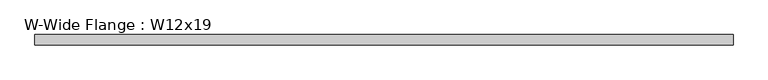
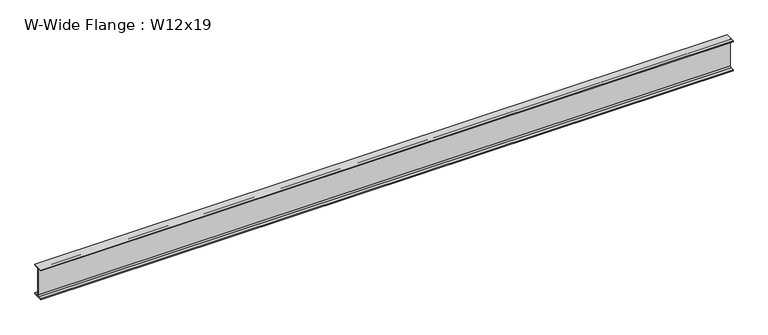
"""IFC4 building model written with IfcOpenShell, lengths in millimetres: beam geometry, W-Wide Flange : W12x19."""

import ifcopenshell
import ifcopenshell.guid

model = None  # the IFC model being written
_history = None  # IfcOwnerHistory: only IFC2X3 demands one
_inside = {}  # id of a spatial element -> (the spatial element, [elements in it])
_under = {}  # id of a project, library or spatial element -> (it, [spatial elements below it])
_declared = {}  # id of a project -> (the project, [libraries it declares])
_typed = {}  # id of a type object -> (the type object, [elements of that type])
_made_of = {}  # id of a material, layer set ... -> (it, [elements and type objects made of it])


def new_model(schema):
    """Start an empty IFC model of exactly this schema.

    Asked for "IFC4X3", IfcOpenShell would pick the latest addendum, in which some entities
    have other attributes; the version numbers below select the first issue.
    IFC2X3 requires an IfcOwnerHistory on every rooted entity: one is made here for all.
    """
    global model, _history
    if schema == "IFC4X3":
        model = ifcopenshell.file(schema_version=(4, 3, 0, 0))
    else:
        model = ifcopenshell.file(schema=schema)
    _inside.clear()
    _under.clear()
    _declared.clear()
    _typed.clear()
    _made_of.clear()
    _history = None
    if model.schema == "IFC2X3":
        org = make("IfcOrganization", Name="unknown")
        user = make(
            "IfcPersonAndOrganization",
            ThePerson=make("IfcPerson", FamilyName="unknown"),
            TheOrganization=org,
        )
        app = make(
            "IfcApplication",
            ApplicationDeveloper=org,
            Version="unknown",
            ApplicationFullName="unknown",
            ApplicationIdentifier="unknown",
        )
        _history = make(
            "IfcOwnerHistory",
            OwningUser=user,
            OwningApplication=app,
            ChangeAction="ADDED",
            CreationDate=0,
        )
    return model


def make(cls, **values):
    """One entity of the class cls with the attributes given. An attribute that is None is left unset."""
    return model.create_entity(
        cls, **{name: value for name, value in values.items() if value is not None}
    )


def rooted(cls, **values):
    """An entity with a GlobalId (a new one), such as an element, a storey or a relation."""
    return make(cls, GlobalId=ifcopenshell.guid.new(), OwnerHistory=_history, **values)


def si_unit(unit_type, name, prefix=None):
    """IfcSIUnit, for example si_unit("LENGTHUNIT", "METRE", prefix="MILLI")."""
    return make("IfcSIUnit", UnitType=unit_type, Prefix=prefix, Name=name)


def assignment(units):
    """IfcUnitAssignment: the units of a project."""
    return None if units is None else make("IfcUnitAssignment", Units=units)


def point(xyz):
    """IfcCartesianPoint."""
    return None if xyz is None else make("IfcCartesianPoint", Coordinates=xyz)


def direction(xyz):
    """IfcDirection."""
    return None if xyz is None else make("IfcDirection", DirectionRatios=xyz)


def frame(location, z_axis=None, x_axis=None):
    """IfcAxis2Placement3D, a coordinate frame: its origin and axes. An axis left out is left unset."""
    return make(
        "IfcAxis2Placement3D",
        Location=point(location),
        Axis=direction(z_axis),
        RefDirection=direction(x_axis),
    )


def frame_2d(location, x_axis=None):
    """IfcAxis2Placement2D, a coordinate frame in the plane: its origin and x axis."""
    return make(
        "IfcAxis2Placement2D", Location=point(location), RefDirection=direction(x_axis)
    )


def origin():
    """The frame at (0, 0, 0) with its axes left unset."""
    return frame((0.0, 0.0, 0.0))


def place(relative_to, where):
    """IfcLocalPlacement: puts the frame where relative to a parent placement (None: the world)."""
    return make(
        "IfcLocalPlacement", PlacementRelTo=relative_to, RelativePlacement=where
    )


def context(
    kind, dimensions, precision=None, world=None, true_north=None, identifier=None
):
    """IfcGeometricRepresentationContext, for example the 3D "Model" context."""
    return make(
        "IfcGeometricRepresentationContext",
        ContextIdentifier=identifier,
        ContextType=kind,
        CoordinateSpaceDimension=dimensions,
        Precision=precision,
        WorldCoordinateSystem=world,
        TrueNorth=true_north,
    )


def project(units=None, contexts=None):
    """IfcProject with its units and contexts."""
    return rooted(
        "IfcProject",
        Name="project",
        RepresentationContexts=contexts,
        UnitsInContext=assignment(units),
    )


def spatial(cls, under=None, at=None, **own):
    """A site, building, storey or space (cls), placed at a placement, below another one or the project."""
    s = rooted(cls, ObjectPlacement=at, **own)
    if under is not None:
        _under.setdefault(under.id(), (under, []))[1].append(s)
    return s


def polyline(points):
    """IfcPolyline through the points."""
    return make("IfcPolyline", Points=[point(p) for p in points])


def circle_curve(where, radius):
    """IfcCircle in the frame where."""
    return make("IfcCircle", Position=where, Radius=radius)


def trimmed(basis, trim1, trim2, sense, master):
    """IfcTrimmedCurve: the piece of a basis curve between two trims."""
    return make(
        "IfcTrimmedCurve",
        BasisCurve=basis,
        Trim1=trim1,
        Trim2=trim2,
        SenseAgreement=sense,
        MasterRepresentation=master,
    )


def segment(curve, same_sense, transition):
    """IfcCompositeCurveSegment."""
    return make(
        "IfcCompositeCurveSegment",
        Transition=transition,
        SameSense=same_sense,
        ParentCurve=curve,
    )


def composite_curve(segments, self_intersect=None):
    """IfcCompositeCurve: segments joined end to end."""
    return make("IfcCompositeCurve", Segments=segments, SelfIntersect=self_intersect)


def outline(outer, holes=None, kind="AREA"):
    """IfcArbitraryClosedProfileDef: a profile drawn as a closed curve; with holes, ...WithVoids."""
    if holes is None:
        return make("IfcArbitraryClosedProfileDef", ProfileType=kind, OuterCurve=outer)
    return make(
        "IfcArbitraryProfileDefWithVoids",
        ProfileType=kind,
        OuterCurve=outer,
        InnerCurves=holes,
    )


def extrude(swept, where, along, depth):
    """IfcExtrudedAreaSolid: the profile swept, set in the frame where, extruded along a direction by depth."""
    return make(
        "IfcExtrudedAreaSolid",
        SweptArea=swept,
        Position=where,
        ExtrudedDirection=direction(along),
        Depth=depth,
    )


def shape(context_of_items, identifier, shape_type, items):
    """IfcShapeRepresentation: the items that make up one representation, for example the "Body"."""
    return make(
        "IfcShapeRepresentation",
        ContextOfItems=context_of_items,
        RepresentationIdentifier=identifier,
        RepresentationType=shape_type,
        Items=items,
    )


def source(mapping_origin, context_of_items, identifier, shape_type, items):
    """IfcRepresentationMap: a shape defined once, which mapped items show again and again."""
    return make(
        "IfcRepresentationMap",
        MappingOrigin=mapping_origin,
        MappedRepresentation=shape(context_of_items, identifier, shape_type, items),
    )


def transform(
    local_origin,
    x_axis=None,
    y_axis=None,
    z_axis=None,
    scale=None,
    scale2=None,
    scale3=None,
    uniform=True,
):
    """IfcCartesianTransformationOperator3D, or its non-uniform kind. x_axis, y_axis, z_axis: its Axis1, 2, 3."""
    if uniform:
        return make(
            "IfcCartesianTransformationOperator3D",
            Axis1=direction(x_axis),
            Axis2=direction(y_axis),
            LocalOrigin=point(local_origin),
            Scale=scale,
            Axis3=direction(z_axis),
        )
    return make(
        "IfcCartesianTransformationOperator3DnonUniform",
        Axis1=direction(x_axis),
        Axis2=direction(y_axis),
        LocalOrigin=point(local_origin),
        Scale=scale,
        Axis3=direction(z_axis),
        Scale2=scale2,
        Scale3=scale3,
    )


def mapped(mapping_source, mapping_target):
    """IfcMappedItem: shows the shape of a source again, moved by a transform."""
    return make(
        "IfcMappedItem", MappingSource=mapping_source, MappingTarget=mapping_target
    )


def made_of(thing, what):
    """Note that an element or type object is made of a material, layer set ...; save() writes the relation."""
    if what is not None:
        _made_of.setdefault(what.id(), (what, []))[1].append(thing)
    return thing


def element(
    cls,
    number,
    at=None,
    inside=None,
    cuts=None,
    type_object=None,
    material=None,
    context=None,
    identifier="Body",
    shape_type=None,
    held_by="IfcProductDefinitionShape",
    body=None,
    shapes=None,
    **own,
):
    """One element of the class cls, such as IfcWall. Its Tag is "e" and its number.

    at: its placement. inside: the storey or other place that contains it. cuts: it is an
    opening in that element (IfcRelVoidsElement). A single representation is given by context,
    identifier, shape_type and body (its items); several are given by shapes. held_by: the class
    of the entity that holds the representations. save() writes the other relations.
    """
    e = rooted(cls, Tag="e%d" % number, ObjectPlacement=at, **own)
    if body is not None:
        shapes = [shape(context, identifier, shape_type, body)]
    if shapes is not None:
        e.Representation = make(held_by, Representations=shapes)
    if inside is not None:
        _inside.setdefault(inside.id(), (inside, []))[1].append(e)
    if cuts is not None:
        rooted(
            "IfcRelVoidsElement", RelatingBuildingElement=cuts, RelatedOpeningElement=e
        )
    if type_object is not None:
        _typed.setdefault(type_object.id(), (type_object, []))[1].append(e)
    return made_of(e, material)


def aggregate(whole, parts):
    """IfcRelAggregates: a whole, such as a stair, and the parts it consists of."""
    return rooted("IfcRelAggregates", RelatingObject=whole, RelatedObjects=parts)


def save(model, path):
    """Write the relations noted so far, then the file.

    IfcRelAggregates (storeys below a building ...), IfcRelContainedInSpatialStructure (elements
    in a storey), IfcRelDefinesByType, IfcRelAssociatesMaterial and IfcRelDeclares: one each for
    every whole, place, type object, material and project.
    """
    for whole, parts in _under.values():
        aggregate(whole, parts)
    for where, things in _inside.values():
        rooted(
            "IfcRelContainedInSpatialStructure",
            RelatedElements=things,
            RelatingStructure=where,
        )
    for kind, things in _typed.values():
        rooted("IfcRelDefinesByType", RelatedObjects=things, RelatingType=kind)
    for what, things in _made_of.values():
        rooted("IfcRelAssociatesMaterial", RelatedObjects=things, RelatingMaterial=what)
    for by, libraries in _declared.values():
        rooted("IfcRelDeclares", RelatingContext=by, RelatedDefinitions=libraries)
    model.write(path)


def w_wide_flange_w12x19_3d38a6e6(model_context):
    return source(origin(), model_context, "Body", "SweptSolid", [
        extrude(outline(composite_curve([segment(polyline([(50.927, -146.05), (50.927, -154.94), (-50.927, -154.94), (-50.927, -146.05), (-16.3195, -146.05)]), True, "CONTINUOUS"), segment(trimmed(circle_curve(frame_2d((-16.3195, -132.715)), 13.335), [point((-16.3195, -146.05))], [point((-2.9845, -132.715))], True, "CARTESIAN"), True, "CONTINUOUS"), segment(polyline([(-2.9845, -132.715), (-2.9845, 132.715)]), True, "CONTINUOUS"), segment(trimmed(circle_curve(frame_2d((-16.3195, 132.715)), 13.335), [point((-2.9845, 132.715))], [point((-16.3195, 146.05))], True, "CARTESIAN"), True, "CONTINUOUS"), segment(polyline([(-16.3195, 146.05), (-50.927, 146.05), (-50.927, 154.94), (50.927, 154.94), (50.927, 146.05), (16.3195, 146.05)]), True, "CONTINUOUS"), segment(trimmed(circle_curve(frame_2d((16.3195, 132.715)), 13.335), [point((16.3195, 146.05))], [point((2.9845, 132.715))], True, "CARTESIAN"), True, "CONTINUOUS"), segment(polyline([(2.9845, 132.715), (2.9845, -132.715)]), True, "CONTINUOUS"), segment(trimmed(circle_curve(frame_2d((16.3195, -132.715)), 13.335), [point((2.9845, -132.715))], [point((16.3195, -146.05))], True, "CARTESIAN"), True, "CONTINUOUS"), segment(polyline([(16.3195, -146.05), (50.927, -146.05)]), True, "CONTINUOUS")], self_intersect=False)), frame((-3442.9513955, 0.0, 0.0), z_axis=(1.0, 0.0, 0.0), x_axis=(0.0, 1.0, 0.0)), (0.0, 0.0, 1.0), 6835.14),
    ])


if __name__ == "__main__":
    model = new_model("IFC4")
    model_context = context("Model", 3, world=origin())
    ifc_project = project(units=[si_unit("LENGTHUNIT", "METRE", prefix="MILLI")], contexts=[model_context])
    site = spatial("IfcSite", under=ifc_project)
    building = spatial("IfcBuilding", under=site)
    placement = place(None, origin())
    w_wide_flange_w12x19_shape = w_wide_flange_w12x19_3d38a6e6(model_context)
    element("IfcBeam", 1, ObjectType="W-Wide Flange : W12x19", at=placement, inside=building, context=model_context, shape_type="MappedRepresentation", body=[
        mapped(w_wide_flange_w12x19_shape, transform((0.0, 0.0, 0.0), x_axis=(1.0, 0.0, 0.0), y_axis=(0.0, 1.0, 0.0), z_axis=(0.0, 0.0, 1.0))),
    ])
    save(model, "model.ifc")
